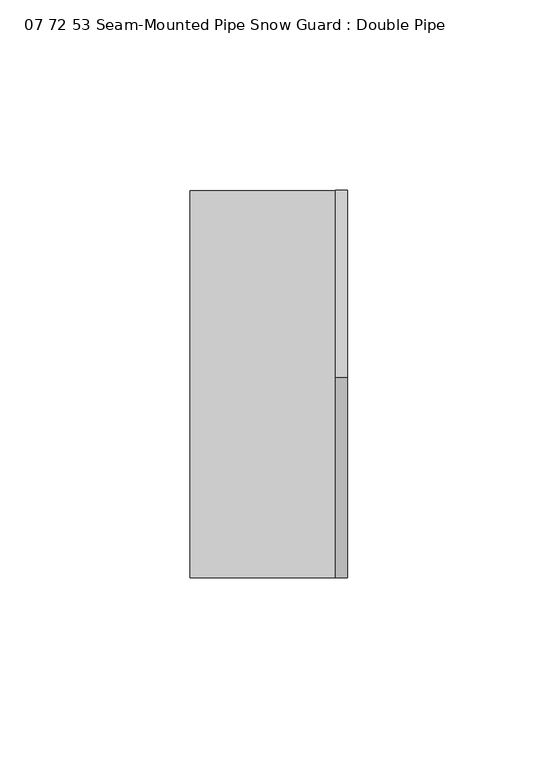
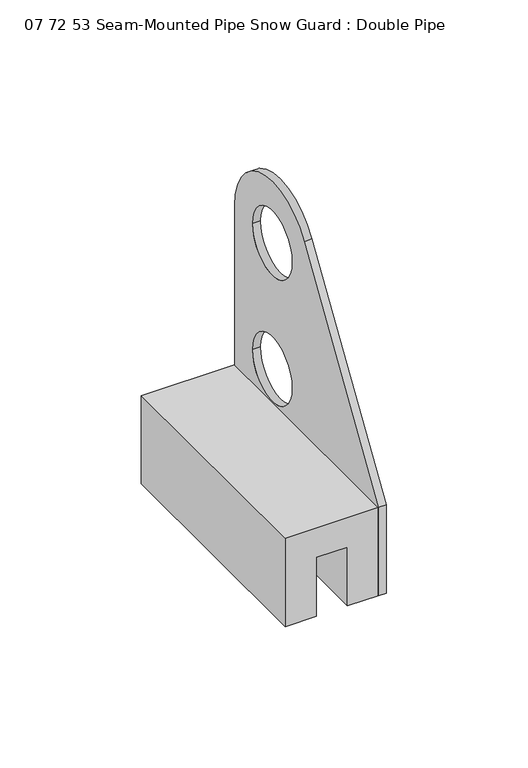
"""IFC4 building model written with IfcOpenShell, lengths in millimetres: proxy geometry, 07 72 53 Seam-Mounted Pipe Snow Guard : Double Pipe."""

from ifc_helpers import new_model, si_unit, point, frame, frame_2d, origin, place, context, project, spatial, polyline, circle_curve, trimmed, segment, composite_curve, outline, extrude, source, transform, mapped, element, save


def proxy_07_72_53_seam_mounted_pipe_snow_guard_double_pipe_98b94232(model_context):
    return source(origin(), model_context, "Body", "SweptSolid", [
        extrude(outline(composite_curve([segment(polyline([(25.4, 106.759375), (25.4, 0.0), (-76.2, 0.0), (-76.2, 38.1), (-23.6487459, 120.9964443)]), True, "CONTINUOUS"), segment(trimmed(circle_curve(frame_2d((-1.190625, 106.759375)), 26.590625), [point((-23.6487459, 120.9964443))], [point((25.4, 106.759375))], False, "CARTESIAN"), True, "CONTINUOUS")], self_intersect=False), holes=[composite_curve([segment(trimmed(circle_curve(frame_2d((-1.190625, 52.3875)), 13.890625), [point((-15.08125, 52.3875))], [point((12.7, 52.3875))], True, "CARTESIAN"), True, "CONTINUOUS"), segment(trimmed(circle_curve(frame_2d((-1.190625, 52.3875)), 13.890625), [point((12.7, 52.3875))], [point((-15.08125, 52.3875))], True, "CARTESIAN"), True, "CONTINUOUS")], self_intersect=False), composite_curve([segment(trimmed(circle_curve(frame_2d((-1.190625, 106.759375)), 13.890625), [point((-15.08125, 106.759375))], [point((12.7, 106.759375))], True, "CARTESIAN"), True, "CONTINUOUS"), segment(trimmed(circle_curve(frame_2d((-1.190625, 106.759375)), 13.890625), [point((12.7, 106.759375))], [point((-15.08125, 106.759375))], True, "CARTESIAN"), True, "CONTINUOUS")], self_intersect=False)]), frame((19.05, 0.0, 0.0), z_axis=(1.0, 0.0, 0.0), x_axis=(0.0, 1.0, 0.0)), (0.0, 0.0, 1.0), 3.175),
        extrude(outline(polyline([(38.1, 19.05), (38.1, -19.05), (0.0, -19.05), (0.0, -6.35), (25.4, -6.35), (25.4, 6.35), (0.0, 6.35), (0.0, 19.05), (38.1, 19.05)])), frame((0.0, -76.2, 0.0), z_axis=(0.0, 1.0, 0.0), x_axis=(0.0, 0.0, 1.0)), (0.0, 0.0, 1.0), 101.6),
    ])


if __name__ == "__main__":
    model = new_model("IFC4")
    model_context = context("Model", 3, world=origin())
    ifc_project = project(units=[si_unit("LENGTHUNIT", "METRE", prefix="MILLI")], contexts=[model_context])
    site = spatial("IfcSite", under=ifc_project)
    building = spatial("IfcBuilding", under=site)
    placement = place(None, origin())
    proxy_07_72_53_seam_mounted_pipe_snow_guard_double_pipe_shape = proxy_07_72_53_seam_mounted_pipe_snow_guard_double_pipe_98b94232(model_context)
    element("IfcBuildingElementProxy", 1, Name="07 72 53 Seam-Mounted Pipe Snow Guard : Double Pipe", ObjectType="07 72 53 Seam-Mounted Pipe Snow Guard : Double Pipe", at=placement, inside=building, context=model_context, shape_type="MappedRepresentation", body=[
        mapped(proxy_07_72_53_seam_mounted_pipe_snow_guard_double_pipe_shape, transform((0.0, 0.0, 0.0), x_axis=(1.0, 0.0, 0.0), y_axis=(0.0, 1.0, 0.0), z_axis=(0.0, 0.0, 1.0))),
    ])
    save(model, "model.ifc")
